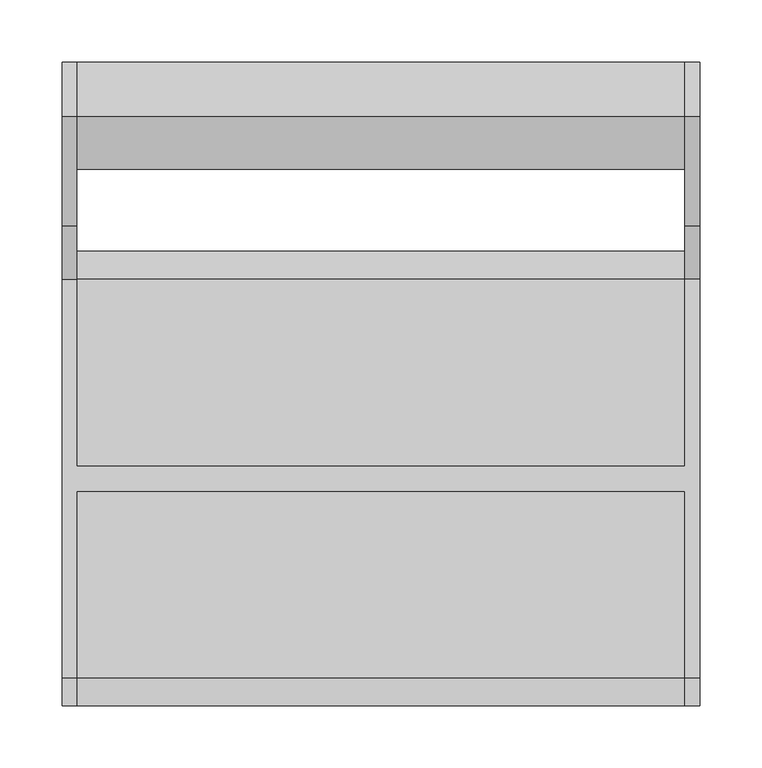
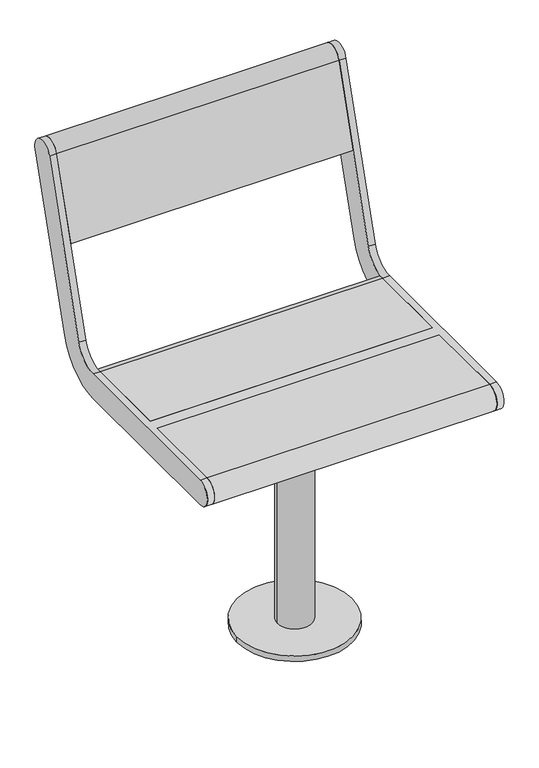
"""IFC4 building model written with IfcOpenShell, lengths in millimetres: furniture geometry."""

from ifc_helpers import new_model, si_unit, point, frame, frame_2d, origin, origin_with_axes, origin_2d, place, context, project, spatial, polyline, circle_curve, trimmed, segment, composite_curve, outline, extrude, source, transform, mapped, element, save
from ifc_brep_helpers import plane_surface, cylinder_surface, revolved_surface, advanced_brep


def furniture_8eed1852(model_context):
    return source(origin(), model_context, "Body", "SolidModel", [
        advanced_brep(
        [(-245.0, 291.0375971, 769.6910048), (-245.0, 203.033714, 481.8432733), (-245.0, 160.0, 450.0), (-245.0, 9.5, 450.0), (-245.0, 9.5, 405.0), (-245.0, 160.0, 405.0), (-245.0, 246.067428, 468.6865466), (-245.0, 334.0713112, 756.5342781), (-245.0, -161.0, 450.0), (-245.0, -161.0, 405.0), (-245.0, -10.5, 405.0), (-245.0, -10.5, 450.0), (-257.0, 291.0375971, 769.6910048), (-257.0, 334.0713112, 756.5342781), (-257.0, 246.067428, 468.6865466), (-257.0, 160.0, 405.0), (-257.0, -161.0, 405.0), (-257.0, -161.0, 450.0), (-257.0, 160.0, 450.0), (-257.0, 203.033714, 481.8432733), (245.0, -10.5, 450.0), (245.0, -161.0, 450.0), (257.0, -161.0, 450.0), (257.0, 160.0, 450.0), (245.0, 160.0, 450.0), (245.0, 9.5, 450.0), (245.0, 9.5, 405.0), (245.0, 160.0, 405.0), (257.0, 160.0, 405.0), (257.0, -161.0, 405.0), (245.0, -161.0, 405.0), (245.0, -10.5, 405.0), (257.0, 291.0375971, 769.6910048), (257.0, 203.033714, 481.8432733), (257.0, 246.067428, 468.6865466), (257.0, 334.0713112, 756.5342781), (245.0, 291.0375971, 769.6910048), (245.0, 334.0713112, 756.5342781), (245.0, 246.067428, 468.6865466), (245.0, 203.033714, 481.8432733)],
        [
            (0, 1),
            (1, 2, circle_curve(frame((-245.0, 160.0, 495.0), z_axis=(-1.0, 0.0, 0.0), x_axis=(0.0, -1.0, 0.0)), 45.0)),
            (2, 3),
            (3, 4),
            (4, 5),
            (5, 6, circle_curve(frame((-245.0, 160.0, 495.0), z_axis=(1.0, 0.0, 0.0), x_axis=(0.0, -1.0, 0.0)), 90.0)),
            (6, 7),
            (7, 0, circle_curve(frame((-245.0, 312.5544541, 763.1126415), z_axis=(1.0, 0.0, 0.0), x_axis=(0.0, -1.0, 0.0)), 22.5)),
            (8, 9, circle_curve(frame((-245.0, -161.0, 427.5), z_axis=(1.0, 0.0, 0.0), x_axis=(0.0, -1.0, 0.0)), 22.5)),
            (9, 10),
            (10, 11),
            (11, 8),
            (12, 13, circle_curve(frame((-257.0, 312.5544541, 763.1126415), z_axis=(-1.0, 0.0, 0.0), x_axis=(0.0, -1.0, 0.0)), 22.5)),
            (13, 14),
            (14, 15, circle_curve(frame((-257.0, 160.0, 495.0), z_axis=(-1.0, 0.0, 0.0), x_axis=(0.0, -1.0, 0.0)), 90.0)),
            (15, 16),
            (16, 17, circle_curve(frame((-257.0, -161.0, 427.5), z_axis=(-1.0, 0.0, 0.0), x_axis=(0.0, -1.0, 0.0)), 22.5)),
            (17, 18),
            (18, 19, circle_curve(frame((-257.0, 160.0, 495.0), z_axis=(1.0, 0.0, 0.0), x_axis=(0.0, -1.0, 0.0)), 45.0)),
            (19, 12),
            (0, 12),
            (19, 1),
            (18, 2),
            (17, 8),
            (11, 20),
            (20, 21),
            (21, 22),
            (22, 23),
            (23, 24),
            (24, 25),
            (25, 3),
            (15, 5),
            (4, 26),
            (26, 27),
            (27, 28),
            (28, 29),
            (29, 30),
            (30, 31),
            (31, 10),
            (9, 16),
            (14, 6),
            (13, 7),
            (31, 20),
            (25, 26),
            (32, 33),
            (33, 23, circle_curve(frame((257.0, 160.0, 495.0), z_axis=(-1.0, 0.0, 0.0), x_axis=(0.0, -1.0, 0.0)), 45.0)),
            (22, 29, circle_curve(frame((257.0, -161.0, 427.5), z_axis=(1.0, 0.0, 0.0), x_axis=(0.0, -1.0, 0.0)), 22.5)),
            (28, 34, circle_curve(frame((257.0, 160.0, 495.0), z_axis=(1.0, 0.0, 0.0), x_axis=(0.0, -1.0, 0.0)), 90.0)),
            (34, 35),
            (35, 32, circle_curve(frame((257.0, 312.5544541, 763.1126415), z_axis=(1.0, 0.0, 0.0), x_axis=(0.0, -1.0, 0.0)), 22.5)),
            (36, 37, circle_curve(frame((245.0, 312.5544541, 763.1126415), z_axis=(-1.0, 0.0, 0.0), x_axis=(0.0, -1.0, 0.0)), 22.5)),
            (37, 38),
            (38, 27, circle_curve(frame((245.0, 160.0, 495.0), z_axis=(-1.0, 0.0, 0.0), x_axis=(0.0, -1.0, 0.0)), 90.0)),
            (24, 39, circle_curve(frame((245.0, 160.0, 495.0), z_axis=(1.0, 0.0, 0.0), x_axis=(0.0, -1.0, 0.0)), 45.0)),
            (39, 36),
            (30, 21, circle_curve(frame((245.0, -161.0, 427.5), z_axis=(-1.0, 0.0, 0.0), x_axis=(0.0, -1.0, 0.0)), 22.5)),
            (32, 36),
            (39, 33),
            (38, 34),
            (37, 35),
        ],
        [
            plane_surface(frame((-245.0, 203.033714, 481.8432733), z_axis=(1.0000000000000002, 0.0, 0.0), x_axis=(0.0, -0.29237170472273394, -0.9563047559630364))),
            plane_surface(frame((-257.0, 203.033714, 481.8432733), z_axis=(-1.0000000000000002, 0.0, 0.0), x_axis=(0.0, 0.29237170472273394, 0.9563047559630364))),
            plane_surface(frame((-245.0, 291.0375971, 769.6910048), z_axis=(0.0, -0.9563047559630364, 0.29237170472273394), x_axis=(-1.0, 0.0, 0.0))),
            revolved_surface(polyline([(-257.0, 115.0, 495.0), (-245.0, 115.0, 495.0)]), (-257.0, 160.0, 495.0), (-1.0, 0.0, 0.0)),
            plane_surface(frame((-245.0, 160.0, 450.0), z_axis=(0.0, 0.0, 1.0), x_axis=(-1.0, 0.0, 0.0))),
            plane_surface(frame((-245.0, -161.0, 405.0), z_axis=(0.0, 0.0, -1.0), x_axis=(-1.0, 0.0, 0.0))),
            cylinder_surface(frame((-257.0, 160.0, 495.0), z_axis=(1.0, 0.0, 0.0), x_axis=(0.0, -1.0, 0.0)), 90.0),
            plane_surface(frame((-245.0, 246.067428, 468.6865466), z_axis=(0.0, 0.9563047559630364, -0.29237170472273366), x_axis=(-1.0, 0.0, 0.0))),
            cylinder_surface(frame((-257.0, 312.5544541, 763.1126415), z_axis=(1.0, 0.0, 0.0), x_axis=(0.0, -1.0, 0.0)), 22.5),
            cylinder_surface(frame((-257.0, -161.0, 427.5), z_axis=(1.0, 0.0, 0.0), x_axis=(0.0, -1.0, 0.0)), 22.5),
            plane_surface(frame((245.0, -10.5, 450.0), z_axis=(0.0, -1.0, 0.0), x_axis=(-1.0, 0.0, 0.0))),
            plane_surface(frame((245.0, 9.5, 405.0), z_axis=(0.0, 1.0, 0.0), x_axis=(-1.0, 0.0, 0.0))),
            plane_surface(frame((257.0, 203.033714, 481.8432733), z_axis=(1.0000000000000002, 0.0, 0.0), x_axis=(0.0, -0.29237170472273394, -0.9563047559630364))),
            plane_surface(frame((245.0, 203.033714, 481.8432733), z_axis=(-1.0000000000000002, 0.0, 0.0), x_axis=(0.0, 0.29237170472273394, 0.9563047559630364))),
            plane_surface(frame((257.0, 291.0375971, 769.6910048), z_axis=(0.0, -0.9563047559630364, 0.29237170472273394), x_axis=(-1.0, 0.0, 0.0))),
            revolved_surface(polyline([(245.0, 115.0, 495.0), (257.0, 115.0, 495.0)]), (245.0, 160.0, 495.0), (-1.0, 0.0, 0.0)),
            cylinder_surface(frame((245.0, 160.0, 495.0), z_axis=(1.0, 0.0, 0.0), x_axis=(0.0, -1.0, 0.0)), 90.0),
            plane_surface(frame((257.0, 246.067428, 468.6865466), z_axis=(0.0, 0.9563047559630364, -0.29237170472273366), x_axis=(-1.0, 0.0, 0.0))),
            cylinder_surface(frame((245.0, 312.5544541, 763.1126415), z_axis=(1.0, 0.0, 0.0), x_axis=(0.0, -1.0, 0.0)), 22.5),
            cylinder_surface(frame((245.0, -161.0, 427.5), z_axis=(1.0, 0.0, 0.0), x_axis=(0.0, -1.0, 0.0)), 22.5),
        ],
        [
            (0, [[1, 2, 3, 4, 5, 6, 7, 8]]),
            (0, [[9, 10, 11, 12]]),
            (1, [[13, 14, 15, 16, 17, 18, 19, 20]]),
            (2, [[-1, 21, -20, 22]]),
            (3, [[-2, -22, -19, 23]]),
            (4, [[-18, 24, -12, 25, 26, 27, 28, 29, 30, 31, -3, -23]]),
            (5, [[-16, 32, -5, 33, 34, 35, 36, 37, 38, 39, -10, 40]]),
            (6, [[-6, -32, -15, 41]]),
            (7, [[-7, -41, -14, 42]]),
            (8, [[-8, -42, -13, -21]]),
            (9, [[-9, -24, -17, -40]]),
            (10, [[-25, -11, -39, 43]]),
            (11, [[-31, 44, -33, -4]]),
            (12, [[45, 46, -28, 47, -36, 48, 49, 50]]),
            (13, [[51, 52, 53, -34, -44, -30, 54, 55]]),
            (13, [[56, -26, -43, -38]]),
            (14, [[-45, 57, -55, 58]]),
            (15, [[-46, -58, -54, -29]]),
            (16, [[-48, -35, -53, 59]]),
            (17, [[-49, -59, -52, 60]]),
            (18, [[-50, -60, -51, -57]]),
            (19, [[-47, -27, -56, -37]]),
        ],
    ),
        extrude(outline(composite_curve([segment(trimmed(circle_curve(frame_2d((312.5544541, 763.1126415)), 22.5), [point((291.0375971, 769.6910048))], [point((334.0713112, 756.5342781))], False, "CARTESIAN"), True, "CONTINUOUS"), segment(polyline([(334.0713112, 756.5342781), (291.5312281, 617.3919361), (248.4975141, 630.5486628), (291.0375971, 769.6910048)]), True, "CONTINUOUS")], self_intersect=False)), frame((-245.0, 0.0, 0.0), z_axis=(1.0, 0.0, 0.0), x_axis=(0.0, 1.0, 0.0)), (0.0, 0.0, 1.0), 490.0),
        extrude(outline(composite_curve([segment(polyline([(9.5, 405.0), (9.5, 450.0), (160.0, 450.0)]), True, "CONTINUOUS"), segment(trimmed(circle_curve(frame_2d((160.0, 427.5)), 22.5), [point((160.0, 450.0))], [point((160.0, 405.0))], False, "CARTESIAN"), True, "CONTINUOUS"), segment(polyline([(160.0, 405.0), (9.5, 405.0)]), True, "CONTINUOUS")], self_intersect=False)), frame((-245.0, 0.0, 0.0), z_axis=(1.0, 0.0, 0.0), x_axis=(0.0, 1.0, 0.0)), (0.0, 0.0, 1.0), 490.0),
        extrude(outline(composite_curve([segment(polyline([(-10.5, 405.0), (-161.0, 405.0)]), True, "CONTINUOUS"), segment(trimmed(circle_curve(frame_2d((-161.0, 427.5)), 22.5), [point((-161.0, 405.0))], [point((-161.0, 450.0))], False, "CARTESIAN"), True, "CONTINUOUS"), segment(polyline([(-161.0, 450.0), (-10.5, 450.0), (-10.5, 405.0)]), True, "CONTINUOUS")], self_intersect=False)), frame((-245.0, 0.0, 0.0), z_axis=(1.0, 0.0, 0.0), x_axis=(0.0, 1.0, 0.0)), (0.0, 0.0, 1.0), 490.0),
        extrude(outline(composite_curve([segment(trimmed(circle_curve(origin_2d(), 100.0), [point((-100.0, 0.0))], [point((100.0, 0.0))], False, "CARTESIAN"), True, "CONTINUOUS"), segment(trimmed(circle_curve(origin_2d(), 100.0), [point((100.0, 0.0))], [point((-100.0, 0.0))], False, "CARTESIAN"), True, "CONTINUOUS")], self_intersect=False)), origin_with_axes(), (0.0, 0.0, 1.0), 10.0),
        extrude(outline(composite_curve([segment(trimmed(circle_curve(origin_2d(), 30.0), [point((-30.0, 0.0))], [point((30.0, 0.0))], False, "CARTESIAN"), True, "CONTINUOUS"), segment(trimmed(circle_curve(origin_2d(), 30.0), [point((30.0, 0.0))], [point((-30.0, 0.0))], False, "CARTESIAN"), True, "CONTINUOUS")], self_intersect=False)), frame((0.0, 0.0, 10.0), z_axis=(0.0, 0.0, 1.0), x_axis=(1.0, 0.0, 0.0)), (0.0, 0.0, 1.0), 379.0),
        extrude(outline(polyline([(75.0, 125.0), (75.0, -125.0), (-75.0, -125.0), (-75.0, 125.0), (75.0, 125.0)])), frame((0.0, 0.0, 389.0), z_axis=(0.0, 0.0, 1.0), x_axis=(1.0, 0.0, 0.0)), (0.0, 0.0, 1.0), 16.0),
    ])


if __name__ == "__main__":
    model = new_model("IFC4")
    model_context = context("Model", 3, world=origin())
    ifc_project = project(units=[si_unit("LENGTHUNIT", "METRE", prefix="MILLI")], contexts=[model_context])
    site = spatial("IfcSite", under=ifc_project)
    building = spatial("IfcBuilding", under=site)
    placement = place(None, origin())
    furniture_shape = furniture_8eed1852(model_context)
    element("IfcFurniture", 1, at=placement, inside=building, context=model_context, shape_type="MappedRepresentation", body=[
        mapped(furniture_shape, transform((0.0, 0.0, 0.0), x_axis=(1.0, 0.0, 0.0), y_axis=(0.0, 1.0, 0.0), z_axis=(0.0, 0.0, 1.0))),
    ])
    save(model, "model.ifc")
